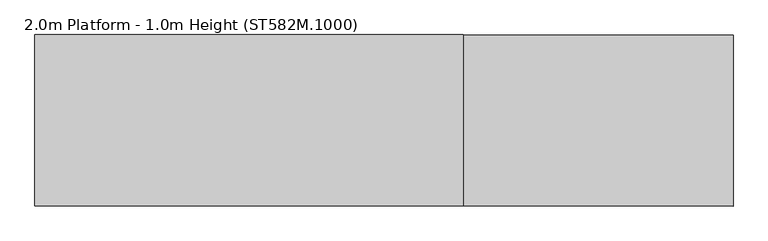
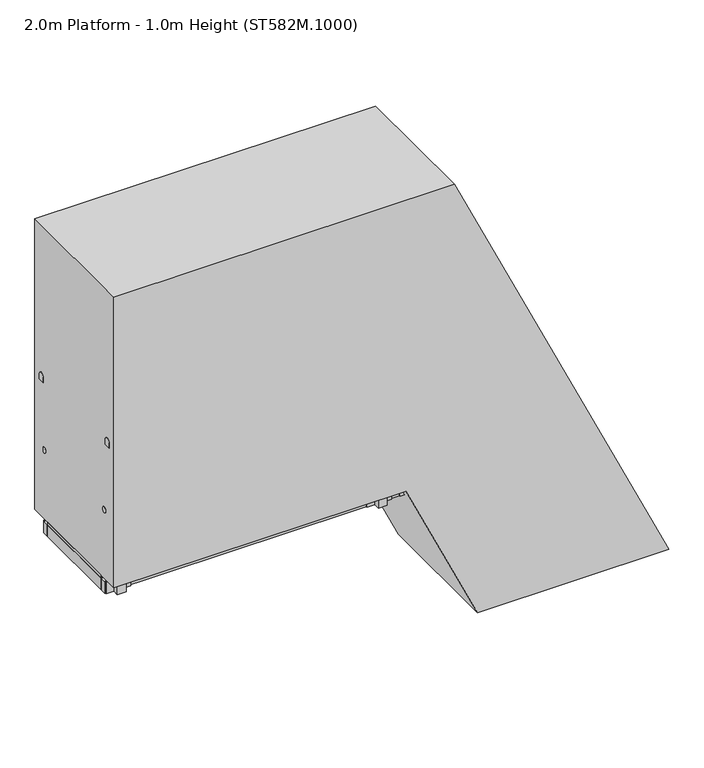
"""IFC4 building model written with IfcOpenShell, lengths in millimetres: proxy geometry, 2.0m Platform - 1.0m Height (ST582M.1000)."""

from ifc_helpers import new_model, si_unit, point, frame, frame_2d, origin, origin_with_axes, place, context, project, spatial, polyline, circle_curve, ellipse_curve, trimmed, segment, composite_curve, outline, extrude, source, transform, mapped, element, save
from ifc_brep_helpers import plane_surface, cylinder_surface, advanced_brep


def proxy_2_0m_platform_1_0m_height_st582m_1000_42ec0f7a(model_context):
    return source(origin(), model_context, "Body", "SolidModel", [
        extrude(outline(polyline([(750.0, -287.4172036), (670.0, -250.112596), (670.0, -139.7747989), (750.0, -177.0794115), (750.0, -287.4172036)])), frame((0.0, 298.5, 0.0), z_axis=(0.0, 1.0, 0.0), x_axis=(0.0, 0.0, 1.0)), (0.0, 0.0, 1.0), 6.0),
        extrude(outline(polyline([(750.0, -287.4172036), (670.0, -250.112596), (670.0, -139.7747989), (750.0, -177.0794115), (750.0, -287.4172036)])), frame((0.0, -304.5, 0.0), z_axis=(0.0, 1.0, 0.0), x_axis=(0.0, 0.0, 1.0)), (0.0, 0.0, 1.0), 6.0),
        extrude(outline(polyline([(750.0, -280.2452473), (712.0999991, -262.572189), (712.0999991, -260.3654332), (747.0, -276.6395687), (747.0, -177.8872444), (712.0999991, -161.6131067), (712.0999991, -159.4063509), (750.0, -177.0794115), (750.0, -197.5071527), (749.2749538, -197.8452473), (750.0, -198.1833418), (750.0, -218.1071527), (749.2749538, -218.4452473), (750.0, -218.7833418), (750.0, -238.7071527), (749.2749538, -239.0452473), (750.0, -239.3833418), (750.0, -259.3071527), (749.2749538, -259.6452473), (750.0, -259.9833418), (750.0, -280.2452473)])), frame((0.0, -298.5, 0.0), z_axis=(0.0, 1.0, 0.0), x_axis=(0.0, 0.0, 1.0)), (0.0, 0.0, 1.0), 597.0),
        extrude(outline(polyline([(500.0, -170.829619), (420.0, -133.5250114), (420.0, -23.1872143), (500.0, -60.4918269), (500.0, -170.829619)])), frame((0.0, 298.5, 0.0), z_axis=(0.0, 1.0, 0.0), x_axis=(0.0, 0.0, 1.0)), (0.0, 0.0, 1.0), 6.0),
        extrude(outline(polyline([(500.0, -170.829619), (420.0, -133.5250114), (420.0, -23.1872143), (500.0, -60.4918269), (500.0, -170.829619)])), frame((0.0, -304.5, 0.0), z_axis=(0.0, 1.0, 0.0), x_axis=(0.0, 0.0, 1.0)), (0.0, 0.0, 1.0), 6.0),
        extrude(outline(polyline([(500.0, -163.6576627), (462.0999991, -145.9846044), (462.0999991, -143.7778486), (497.0, -160.0519841), (497.0, -61.2996598), (462.0999991, -45.0255221), (462.0999991, -42.8187663), (500.0, -60.4918269), (500.0, -80.9195681), (499.2749538, -81.2576627), (500.0, -81.5957572), (500.0, -101.5195681), (499.2749538, -101.8576627), (500.0, -102.1957572), (500.0, -122.1195681), (499.2749538, -122.4576627), (500.0, -122.7957572), (500.0, -142.7195681), (499.2749538, -143.0576627), (500.0, -143.3957572), (500.0, -163.6576627)])), frame((0.0, -298.5, 0.0), z_axis=(0.0, 1.0, 0.0), x_axis=(0.0, 0.0, 1.0)), (0.0, 0.0, 1.0), 597.0),
        extrude(outline(polyline([(-0.0541093, 0.0), (0.7582532, 5.9447512), (185.4590014, 5.9447512), (254.8144324, -3.5328109), (254.0020699, -9.4775622), (184.6466389, 0.0), (-0.0541093, 0.0)])), frame((66.0292478, 375.0, 646.1685606), z_axis=(-0.42264223468984063, 0.0, 0.9062966078808736), x_axis=(-0.897951312753777, -0.13539374535780635, -0.4187504909152397)), (0.0, 0.0, 1.0), 80.0),
        extrude(outline(polyline([(-0.0541093, 0.0), (0.7582532, 5.9447512), (185.4590012, 5.9447512), (254.8144324, -3.5328109), (254.0020699, -9.4775622), (184.6466388, 0.0), (-0.0541093, 0.0)])), frame((-31.1784662, 375.0, 854.6167804), z_axis=(-0.42264223468984063, 0.0, 0.9062966078808736), x_axis=(-0.897951312753777, -0.13539374535780635, -0.4187504909152397)), (0.0, 0.0, 1.0), 80.0),
        extrude(outline(polyline([(0.0, 32.0), (3.0000001, 32.0), (3.0000001, 0.0), (0.0, 0.0), (0.0, 32.0)])), frame((81.4759922, 388.0, 620.2702474), z_axis=(-0.4226422346898406, 0.0, 0.9062966078808735), x_axis=(-0.9062966078808735, 0.0, -0.4226422346898406)), (0.0, 0.0, 1.0), 140.0),
        extrude(outline(polyline([(0.0, 32.0), (3.0, 32.0), (3.0, 0.0), (0.0, 0.0), (0.0, 32.0)])), frame((-15.7317218, 388.0, 828.7184672), z_axis=(-0.4226422346898406, 0.0, 0.9062966078808735), x_axis=(-0.9062966078808735, 0.0, -0.4226422346898406)), (0.0, 0.0, 1.0), 140.0),
        extrude(outline(composite_curve([segment(trimmed(circle_curve(frame_2d((0.0, 14.189404)), 22.4521533), [point((-17.4, 0.0))], [point((17.4, 0.0))], False, "CARTESIAN"), True, "CONTINUOUS"), segment(polyline([(17.4, 0.0), (-17.4, 0.0)]), True, "CONTINUOUS")], self_intersect=False)), frame((153.3251721, 372.0, 466.199824), z_axis=(-0.4226422346898406, 0.0, 0.9062966078808735), x_axis=(0.0, -1.0, 0.0)), (0.0, 0.0, 1.0), 1560.0),
        extrude(outline(polyline([(-0.0541092, 0.0), (184.6466388, 0.0), (254.0020699, 9.4775622), (254.8144324, 3.5328109), (185.4590013, -5.9447512), (0.7582532, -5.9447512), (-0.0541092, 0.0)])), frame((66.0264863, -375.0, 646.1744828), z_axis=(-0.42264223468984063, 0.0, 0.9062966078808736), x_axis=(-0.897951312753777, 0.13539374535780635, -0.4187504909152397)), (0.0, 0.0, 1.0), 80.0),
        extrude(outline(polyline([(-0.0541093, 0.0), (184.6466388, 0.0), (254.0020699, 9.4775622), (254.8144324, 3.5328109), (185.4590013, -5.9447512), (0.7582532, -5.9447512), (-0.0541093, 0.0)])), frame((-31.1812277, -375.0, 854.6227026), z_axis=(-0.42264223468984063, 0.0, 0.9062966078808736), x_axis=(-0.897951312753777, 0.13539374535780635, -0.4187504909152397)), (0.0, 0.0, 1.0), 80.0),
        extrude(outline(polyline([(0.0, -32.0), (0.0, 0.0), (3.0, 0.0), (3.0, -32.0), (0.0, -32.0)])), frame((81.4732307, -388.0, 620.2761695), z_axis=(-0.4226422346898406, 0.0, 0.9062966078808735), x_axis=(-0.9062966078808735, 0.0, -0.4226422346898406)), (0.0, 0.0, 1.0), 140.0),
        extrude(outline(polyline([(0.0, -32.0), (0.0, 0.0), (3.0, 0.0), (3.0, -32.0), (0.0, -32.0)])), frame((-15.7344833, -388.0, 828.7243893), z_axis=(-0.4226422346898406, 0.0, 0.9062966078808735), x_axis=(-0.9062966078808735, 0.0, -0.4226422346898406)), (0.0, 0.0, 1.0), 140.0),
        extrude(outline(composite_curve([segment(polyline([(-17.4, 0.0), (17.4, 0.0)]), True, "CONTINUOUS"), segment(trimmed(circle_curve(frame_2d((0.0, -14.189404)), 22.4521533), [point((17.4, 0.0))], [point((-17.4, 0.0))], False, "CARTESIAN"), True, "CONTINUOUS")], self_intersect=False)), frame((153.3224106, -372.0, 466.2057462), z_axis=(-0.4226422346898406, 0.0, 0.9062966078808735), x_axis=(0.0, 1.0, 0.0)), (0.0, 0.0, 1.0), 1560.0),
        extrude(outline(polyline([(1000.0, -404.0047882), (920.0, -366.7001806), (920.0, -256.3623835), (1000.0, -293.6669962), (1000.0, -404.0047882)])), frame((0.0, 298.5, 0.0), z_axis=(0.0, 1.0, 0.0), x_axis=(0.0, 0.0, 1.0)), (0.0, 0.0, 1.0), 6.0),
        extrude(outline(polyline([(1000.0, -404.0047882), (920.0, -366.7001806), (920.0, -256.3623835), (1000.0, -293.6669962), (1000.0, -404.0047882)])), frame((0.0, -304.5, 0.0), z_axis=(0.0, 1.0, 0.0), x_axis=(0.0, 0.0, 1.0)), (0.0, 0.0, 1.0), 6.0),
        extrude(outline(polyline([(1000.0, -396.8328319), (962.0999991, -379.1597736), (962.0999991, -376.9530179), (997.0, -393.2271533), (997.0, -294.474829), (962.0999991, -278.2006914), (962.0999991, -275.9939355), (1000.0, -293.6669962), (1000.0, -314.0947373), (999.2749538, -314.4328319), (1000.0, -314.7709265), (1000.0, -334.6947373), (999.2749538, -335.0328319), (1000.0, -335.3709265), (1000.0, -355.2947373), (999.2749538, -355.6328319), (1000.0, -355.9709265), (1000.0, -375.8947373), (999.2749538, -376.2328319), (1000.0, -376.5709265), (1000.0, -396.8328319)])), frame((0.0, -298.5, 0.0), z_axis=(0.0, 1.0, 0.0), x_axis=(0.0, 0.0, 1.0)), (0.0, 0.0, 1.0), 597.0),
        extrude(outline(polyline([(250.0, -54.2420343), (170.0, -16.9374267), (170.0, 93.4003703), (250.0, 56.0957577), (250.0, -54.2420343)])), frame((0.0, 298.5, 0.0), z_axis=(0.0, 1.0, 0.0), x_axis=(0.0, 0.0, 1.0)), (0.0, 0.0, 1.0), 6.0),
        extrude(outline(polyline([(250.0, -54.2420343), (170.0, -16.9374267), (170.0, 93.4003703), (250.0, 56.0957577), (250.0, -54.2420343)])), frame((0.0, -304.5, 0.0), z_axis=(0.0, 1.0, 0.0), x_axis=(0.0, 0.0, 1.0)), (0.0, 0.0, 1.0), 6.0),
        extrude(outline(polyline([(250.0, -47.070078), (212.0999991, -29.3970198), (212.0999991, -27.190264), (247.0, -43.4643995), (247.0, 55.2879248), (212.0999991, 71.5620625), (212.0999991, 73.7688183), (250.0, 56.0957577), (250.0, 35.6680165), (249.2749538, 35.329922), (250.0, 34.9918274), (250.0, 15.0680165), (249.2749538, 14.729922), (250.0, 14.3918274), (250.0, -5.5319835), (249.2749538, -5.870078), (250.0, -6.2081726), (250.0, -26.1319835), (249.2749538, -26.470078), (250.0, -26.8081726), (250.0, -47.070078)])), frame((0.0, -298.5, 0.0), z_axis=(0.0, 1.0, 0.0), x_axis=(0.0, 0.0, 1.0)), (0.0, 0.0, 1.0), 597.0),
        extrude(outline(polyline([(-396.8328319, -304.5), (-434.8328319, -304.5), (-434.8328319, 304.5), (-396.8328319, 304.5), (-396.8328319, -304.5)])), frame((0.0, 0.0, 901.0), z_axis=(0.0, 0.0, 1.0), x_axis=(1.0, 0.0, 0.0)), (0.0, 0.0, 1.0), 80.0),
        extrude(outline(polyline([(-1866.8328319, -304.5), (-1904.8328319, -304.5), (-1904.8328319, 304.5), (-1866.8328319, 304.5), (-1866.8328319, -304.5)])), frame((0.0, 0.0, 923.0), z_axis=(0.0, 0.0, 1.0), x_axis=(1.0, 0.0, 0.0)), (0.0, 0.0, 1.0), 58.0),
        extrude(outline(polyline([(-1376.8328319, -304.5), (-1414.8328319, -304.5), (-1414.8328319, 304.5), (-1376.8328319, 304.5), (-1376.8328319, -304.5)])), frame((0.0, 0.0, 923.0), z_axis=(0.0, 0.0, 1.0), x_axis=(1.0, 0.0, 0.0)), (0.0, 0.0, 1.0), 58.0),
        extrude(outline(polyline([(-886.8328319, -304.5), (-924.8328319, -304.5), (-924.8328319, 304.5), (-886.8328319, 304.5), (-886.8328319, -304.5)])), frame((0.0, 0.0, 923.0), z_axis=(0.0, 0.0, 1.0), x_axis=(1.0, 0.0, 0.0)), (0.0, 0.0, 1.0), 58.0),
        extrude(outline(composite_curve([segment(polyline([(353.0, 1478.0), (353.0, 1468.0)]), True, "CONTINUOUS"), segment(trimmed(circle_curve(frame_2d((338.0, 1468.0)), 15.0), [point((353.0, 1468.0))], [point((323.0, 1468.0))], False, "CARTESIAN"), True, "CONTINUOUS"), segment(polyline([(323.0, 1468.0), (323.0, 1478.0)]), True, "CONTINUOUS"), segment(trimmed(circle_curve(frame_2d((338.0, 1478.0)), 15.0), [point((323.0, 1478.0))], [point((353.0, 1478.0))], False, "CARTESIAN"), True, "CONTINUOUS")], self_intersect=False)), frame((-2396.8328319, 0.0, 0.0), z_axis=(1.0, 0.0, 0.0), x_axis=(0.0, 1.0, 0.0)), (0.0, 0.0, 1.0), 1985.0),
        extrude(outline(composite_curve([segment(trimmed(circle_curve(frame_2d((-338.0, 1478.0)), 15.0), [point((-353.0, 1478.0))], [point((-323.0, 1478.0))], False, "CARTESIAN"), True, "CONTINUOUS"), segment(polyline([(-323.0, 1478.0), (-323.0, 1468.0)]), True, "CONTINUOUS"), segment(trimmed(circle_curve(frame_2d((-338.0, 1468.0)), 15.0), [point((-323.0, 1468.0))], [point((-353.0, 1468.0))], False, "CARTESIAN"), True, "CONTINUOUS"), segment(polyline([(-353.0, 1468.0), (-353.0, 1478.0)]), True, "CONTINUOUS")], self_intersect=False)), frame((-2396.8328319, 0.0, 0.0), z_axis=(1.0, 0.0, 0.0), x_axis=(0.0, 1.0, 0.0)), (0.0, 0.0, 1.0), 1985.0),
        extrude(outline(polyline([(-692.8328319, 353.0), (-532.8328319, 353.0), (-532.8328319, 343.0), (-692.8328319, 343.0), (-692.8328319, 353.0)])), frame((0.0, 0.0, 901.0), z_axis=(0.0, 0.0, 1.0), x_axis=(1.0, 0.0, 0.0)), (0.0, 0.0, 1.0), 80.0),
        extrude(outline(polyline([(-692.8328319, -343.0), (-532.8328319, -343.0), (-532.8328319, -353.0), (-692.8328319, -353.0), (-692.8328319, -343.0)])), frame((0.0, 0.0, 901.0), z_axis=(0.0, 0.0, 1.0), x_axis=(1.0, 0.0, 0.0)), (0.0, 0.0, 1.0), 80.0),
        extrude(outline(polyline([(-583.8328319, 391.0), (-583.8328319, 353.0), (-641.8328319, 353.0), (-641.8328319, 391.0), (-583.8328319, 391.0)])), frame((0.0, 0.0, 901.0), z_axis=(0.0, 0.0, 1.0), x_axis=(1.0, 0.0, 0.0)), (0.0, 0.0, 1.0), 1029.0),
        extrude(outline(polyline([(-583.8328319, -353.0), (-583.8328319, -391.0), (-641.8328319, -391.0), (-641.8328319, -353.0), (-583.8328319, -353.0)])), frame((0.0, 0.0, 901.0), z_axis=(0.0, 0.0, 1.0), x_axis=(1.0, 0.0, 0.0)), (0.0, 0.0, 1.0), 1029.0),
        advanced_brep(
        [(-556.8328319, 372.0, 1942.0), (-556.8328319, 372.0, 1987.0), (-544.1016939, 372.0, 1942.0), (-515.4337404, 372.0, 1987.0), (-513.5569732, 372.0, 1876.4977609), (-472.773248, 372.0, 1895.5158512)],
        [
            (0, 1, circle_curve(frame((-556.8328319, 372.0, 1964.5), z_axis=(-1.0, 0.0, 0.0), x_axis=(0.0, 0.0, 1.0)), 22.5)),
            (1, 0, circle_curve(frame((-556.8328319, 372.0, 1964.5), z_axis=(-1.0, 0.0, 0.0), x_axis=(0.0, 0.0, 1.0)), 22.5)),
            (0, 2),
            (2, 3, ellipse_curve(frame((-529.7677171, 372.0, 1964.5), z_axis=(-0.8433932143581883, 0.0, 0.5372968322766877), x_axis=(-0.5372968322766877, 0.0, -0.8433932143581881)), 26.6779476, 22.5)),
            (3, 1),
            (3, 2, ellipse_curve(frame((-529.7677171, 372.0, 1964.5), z_axis=(-0.8433932143581883, 0.0, 0.5372968322766877), x_axis=(-0.5372968322766877, 0.0, -0.8433932143581881)), 26.6779476, 22.5)),
            (4, 5, circle_curve(frame((-493.1651106, 372.0, 1886.0068061), z_axis=(0.42262422805087385, 0.0, -0.906305004876616), x_axis=(0.906305004876616, 0.0, 0.42262422805087385)), 22.5)),
            (5, 4, circle_curve(frame((-493.1651106, 372.0, 1886.0068061), z_axis=(0.42262422805087385, 0.0, -0.906305004876616), x_axis=(0.906305004876616, 0.0, 0.42262422805087385)), 22.5)),
            (2, 4),
            (5, 3),
        ],
        [
            plane_surface(frame((-556.8328319, 0.0, 1987.0), z_axis=(-1.0, 0.0, 0.0), x_axis=(0.0, -1.0, 0.0))),
            cylinder_surface(frame((-556.8328319, 372.0, 1964.5), z_axis=(-1.0, 0.0, 0.0), x_axis=(0.0, 0.0, 1.0)), 22.5),
            plane_surface(frame((-472.773248, 0.0, 1895.5158512), z_axis=(0.42262422805087385, 0.0, -0.906305004876616), x_axis=(0.0, -1.0, 0.0))),
            cylinder_surface(frame((-535.825603, 372.0, 1977.4909549), z_axis=(-0.42262422805087385, 0.0, 0.906305004876616), x_axis=(0.906305004876616, 0.0, 0.42262422805087385)), 22.5),
        ],
        [
            (0, [[1, 2]]),
            (1, [[-1, 3, 4, 5]]),
            (1, [[-2, -5, 6, -3]]),
            (2, [[7, 8]]),
            (3, [[-4, 9, -8, 10]]),
            (3, [[-6, -10, -7, -9]]),
        ],
    ),
        advanced_brep(
        [(-556.8328319, -372.0, 1942.0), (-556.8328319, -372.0, 1987.0), (-544.1016939, -372.0, 1942.0), (-515.4337404, -372.0, 1987.0), (-513.5569732, -372.0, 1876.4977609), (-472.773248, -372.0, 1895.5158512)],
        [
            (0, 1, circle_curve(frame((-556.8328319, -372.0, 1964.5), z_axis=(-1.0, 0.0, 0.0), x_axis=(0.0, 0.0, 1.0)), 22.5)),
            (1, 0, circle_curve(frame((-556.8328319, -372.0, 1964.5), z_axis=(-1.0, 0.0, 0.0), x_axis=(0.0, 0.0, 1.0)), 22.5)),
            (0, 2),
            (2, 3, ellipse_curve(frame((-529.7677171, -372.0, 1964.5), z_axis=(-0.8433932143581883, 0.0, 0.5372968322766877), x_axis=(-0.5372968322766877, 0.0, -0.8433932143581881)), 26.6779476, 22.5)),
            (3, 1),
            (3, 2, ellipse_curve(frame((-529.7677171, -372.0, 1964.5), z_axis=(-0.8433932143581883, 0.0, 0.5372968322766877), x_axis=(-0.5372968322766877, 0.0, -0.8433932143581881)), 26.6779476, 22.5)),
            (4, 5, circle_curve(frame((-493.1651106, -372.0, 1886.0068061), z_axis=(0.42262422805087385, 0.0, -0.906305004876616), x_axis=(0.906305004876616, 0.0, 0.42262422805087385)), 22.5)),
            (5, 4, circle_curve(frame((-493.1651106, -372.0, 1886.0068061), z_axis=(0.42262422805087385, 0.0, -0.906305004876616), x_axis=(0.906305004876616, 0.0, 0.42262422805087385)), 22.5)),
            (2, 4),
            (5, 3),
        ],
        [
            plane_surface(frame((-556.8328319, 0.0, 1987.0), z_axis=(-1.0, 0.0, 0.0), x_axis=(0.0, -1.0, 0.0))),
            cylinder_surface(frame((-556.8328319, -372.0, 1964.5), z_axis=(-1.0, 0.0, 0.0), x_axis=(0.0, 0.0, 1.0)), 22.5),
            plane_surface(frame((-472.773248, 0.0, 1895.5158512), z_axis=(0.42262422805087385, 0.0, -0.906305004876616), x_axis=(0.0, -1.0, 0.0))),
            cylinder_surface(frame((-535.825603, -372.0, 1977.4909549), z_axis=(-0.42262422805087385, 0.0, 0.906305004876616), x_axis=(0.906305004876616, 0.0, 0.42262422805087385)), 22.5),
        ],
        [
            (0, [[1, 2]]),
            (1, [[-1, 3, 4, 5]]),
            (1, [[-2, -5, 6, -3]]),
            (2, [[7, 8]]),
            (3, [[-4, 9, -8, 10]]),
            (3, [[-6, -10, -7, -9]]),
        ],
    ),
        extrude(outline(polyline([(-2358.8328319, -304.5), (-2396.8328319, -304.5), (-2396.8328319, 304.5), (-2358.8328319, 304.5), (-2358.8328319, -304.5)])), frame((0.0, 0.0, 901.0), z_axis=(0.0, 0.0, 1.0), x_axis=(1.0, 0.0, 0.0)), (0.0, 0.0, 1.0), 80.0),
        extrude(outline(composite_curve([segment(polyline([(349.5, 1930.0), (349.5, 1964.5)]), True, "CONTINUOUS"), segment(trimmed(circle_curve(frame_2d((372.0, 1964.5)), 22.5), [point((349.5, 1964.5))], [point((394.5, 1964.5))], False, "CARTESIAN"), True, "CONTINUOUS"), segment(polyline([(394.5, 1964.5), (394.5, 1930.0), (349.5, 1930.0)]), True, "CONTINUOUS")], self_intersect=False)), frame((-2396.8328319, 0.0, 0.0), z_axis=(1.0, 0.0, 0.0), x_axis=(0.0, 1.0, 0.0)), (0.0, 0.0, 1.0), 1840.0),
        extrude(outline(composite_curve([segment(polyline([(-349.5, 1930.0), (-394.5, 1930.0), (-394.5, 1964.5)]), True, "CONTINUOUS"), segment(trimmed(circle_curve(frame_2d((-372.0, 1964.5)), 22.5), [point((-394.5, 1964.5))], [point((-349.5, 1964.5))], False, "CARTESIAN"), True, "CONTINUOUS"), segment(polyline([(-349.5, 1964.5), (-349.5, 1930.0)]), True, "CONTINUOUS")], self_intersect=False)), frame((-2396.8328319, 0.0, 0.0), z_axis=(1.0, 0.0, 0.0), x_axis=(0.0, 1.0, 0.0)), (0.0, 0.0, 1.0), 1840.0),
        extrude(outline(polyline([(-2232.8328319, 353.0), (-2232.8328319, 343.0), (-2392.8328319, 343.0), (-2392.8328319, 353.0), (-2232.8328319, 353.0)])), frame((0.0, 0.0, 901.0), z_axis=(0.0, 0.0, 1.0), x_axis=(1.0, 0.0, 0.0)), (0.0, 0.0, 1.0), 80.0),
        extrude(outline(polyline([(-2232.8328319, -343.0), (-2232.8328319, -353.0), (-2392.8328319, -353.0), (-2392.8328319, -343.0), (-2232.8328319, -343.0)])), frame((0.0, 0.0, 901.0), z_axis=(0.0, 0.0, 1.0), x_axis=(1.0, 0.0, 0.0)), (0.0, 0.0, 1.0), 80.0),
        extrude(outline(polyline([(-2283.8328319, 391.0), (-2283.8328319, 353.0), (-2341.8328319, 353.0), (-2341.8328319, 391.0), (-2283.8328319, 391.0)])), frame((0.0, 0.0, 901.0), z_axis=(0.0, 0.0, 1.0), x_axis=(1.0, 0.0, 0.0)), (0.0, 0.0, 1.0), 1029.0),
        extrude(outline(polyline([(-2283.8328319, -353.0), (-2283.8328319, -391.0), (-2341.8328319, -391.0), (-2341.8328319, -353.0), (-2283.8328319, -353.0)])), frame((0.0, 0.0, 901.0), z_axis=(0.0, 0.0, 1.0), x_axis=(1.0, 0.0, 0.0)), (0.0, 0.0, 1.0), 1029.0),
        extrude(outline(polyline([(-396.8328319, 343.0), (-396.8328319, 304.5), (-2396.8328319, 304.5), (-2396.8328319, 343.0), (-396.8328319, 343.0)])), frame((0.0, 0.0, 901.0), z_axis=(0.0, 0.0, 1.0), x_axis=(1.0, 0.0, 0.0)), (0.0, 0.0, 1.0), 80.0),
        extrude(outline(polyline([(-396.8328319, -304.5), (-396.8328319, -343.0), (-2396.8328319, -343.0), (-2396.8328319, -304.5), (-396.8328319, -304.5)])), frame((0.0, 0.0, 901.0), z_axis=(0.0, 0.0, 1.0), x_axis=(1.0, 0.0, 0.0)), (0.0, 0.0, 1.0), 80.0),
        extrude(outline(polyline([(-399.8328319, 297.5), (-399.8328319, -297.5), (-2393.8328319, -297.5), (-2393.8328319, 297.5), (-399.8328319, 297.5)])), frame((0.0, 0.0, 984.0), z_axis=(0.0, 0.0, 1.0), x_axis=(1.0, 0.0, 0.0)), (0.0, 0.0, 1.0), 13.0),
        extrude(outline(polyline([(1000.0, -414.8328319), (997.0, -414.8328319), (997.0, -399.8328319), (984.0, -399.8328319), (984.0, -414.8328319), (981.0, -414.8328319), (981.0, -396.8328319), (1000.0, -396.8328319), (1000.0, -414.8328319)])), frame((0.0, -297.5, 0.0), z_axis=(0.0, 1.0, 0.0), x_axis=(0.0, 0.0, 1.0)), (0.0, 0.0, 1.0), 595.0),
        extrude(outline(polyline([(1000.0, -2378.8328319), (1000.0, -2396.8328319), (981.0, -2396.8328319), (981.0, -2378.8328319), (984.0, -2378.8328319), (984.0, -2393.8328319), (997.0, -2393.8328319), (997.0, -2378.8328319), (1000.0, -2378.8328319)])), frame((0.0, -297.5, 0.0), z_axis=(0.0, 1.0, 0.0), x_axis=(0.0, 0.0, 1.0)), (0.0, 0.0, 1.0), 595.0),
        extrude(outline(polyline([(981.0, -287.140843), (981.0, -476.8328319), (901.0, -476.8328319), (901.0, -249.8362303), (981.0, -287.140843)])), frame((0.0, 344.0, 0.0), z_axis=(0.0, 1.0, 0.0), x_axis=(0.0, 0.0, 1.0)), (0.0, 0.0, 1.0), 6.0),
        extrude(outline(polyline([(981.0, -284.7751404), (981.0, -476.8328319), (901.0, -476.8328319), (901.0, -247.4705278), (981.0, -284.7751404)])), frame((0.0, -350.0, 0.0), z_axis=(0.0, 1.0, 0.0), x_axis=(0.0, 0.0, 1.0)), (0.0, 0.0, 1.0), 6.0),
        extrude(outline(polyline([(-304.5, 79.9999999), (-304.5, 0.0), (-343.0, 0.0), (-343.0, 79.9999999), (-304.5, 79.9999999)])), frame((81.6045928, 0.0, 6.0), z_axis=(-0.4226182617406975, 0.0, 0.9063077870366509), x_axis=(0.0, -1.0, 0.0)), (0.0, 0.0, 1.0), 1096.7576514),
        extrude(outline(polyline([(343.0, 79.9999999), (343.0, 0.0), (304.5, 0.0), (304.5, 79.9999999), (343.0, 79.9999999)])), frame((81.6045928, 0.0, 6.0), z_axis=(-0.4226182617406975, 0.0, 0.9063077870366509), x_axis=(0.0, -1.0, 0.0)), (0.0, 0.0, 1.0), 1096.7576514),
        extrude(outline(polyline([(141.9461681, 106.482087), (108.1367071, 33.977464), (6.0, 81.6045928), (6.0, 169.8748263), (141.9461681, 106.482087)])), frame((0.0, 344.0, 0.0), z_axis=(0.0, 1.0, 0.0), x_axis=(0.0, 0.0, 1.0)), (0.0, 0.0, 1.0), 6.0),
        extrude(outline(polyline([(141.9461681, 106.482087), (108.1367071, 33.977464), (6.0, 81.6045928), (6.0, 169.8748263), (141.9461681, 106.482087)])), frame((0.0, -350.0, 0.0), z_axis=(0.0, 1.0, 0.0), x_axis=(0.0, 0.0, 1.0)), (0.0, 0.0, 1.0), 6.0),
        extrude(outline(polyline([(175.7748263, 358.0), (175.7748263, -358.0), (75.7748263, -358.0), (75.7748263, 358.0), (175.7748263, 358.0)])), origin_with_axes(), (0.0, 0.0, 1.0), 6.0),
        extrude(outline(polyline([(1000.0, -493.666699), (0.0, -27.3268374), (0.0, 1220.8959069), (3000.0, -178.1236779), (3000.0, -2396.8328319), (1000.0, -2396.8328319), (1000.0, -493.666699)])), frame((0.0, -444.5, 0.0), z_axis=(0.0, 1.0, 0.0), x_axis=(0.0, 0.0, 1.0)), (0.0, 0.0, 1.0), 889.0),
    ])


if __name__ == "__main__":
    model = new_model("IFC4")
    model_context = context("Model", 3, world=origin())
    ifc_project = project(units=[si_unit("LENGTHUNIT", "METRE", prefix="MILLI")], contexts=[model_context])
    site = spatial("IfcSite", under=ifc_project)
    building = spatial("IfcBuilding", under=site)
    placement = place(None, origin())
    proxy_2_0m_platform_1_0m_height_st582m_1000_shape = proxy_2_0m_platform_1_0m_height_st582m_1000_42ec0f7a(model_context)
    element("IfcBuildingElementProxy", 1, Name="2.0m Platform - 1.0m Height (ST582M.1000)", ObjectType="2.0m Platform - 1.0m Height (ST582M.1000)", at=placement, inside=building, context=model_context, shape_type="MappedRepresentation", body=[
        mapped(proxy_2_0m_platform_1_0m_height_st582m_1000_shape, transform((0.0, 0.0, 0.0), x_axis=(1.0, 0.0, 0.0), y_axis=(0.0, 1.0, 0.0), z_axis=(0.0, 0.0, 1.0))),
    ])
    save(model, "model.ifc")
